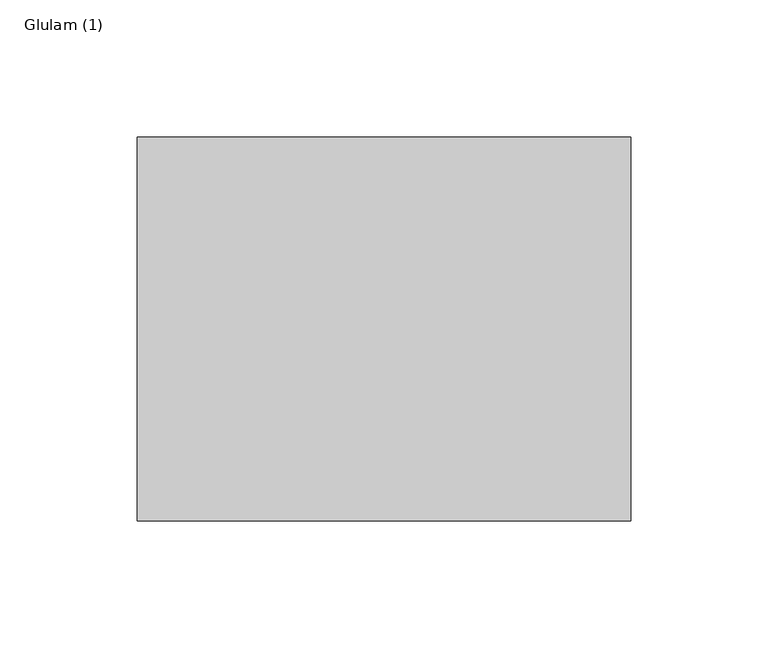
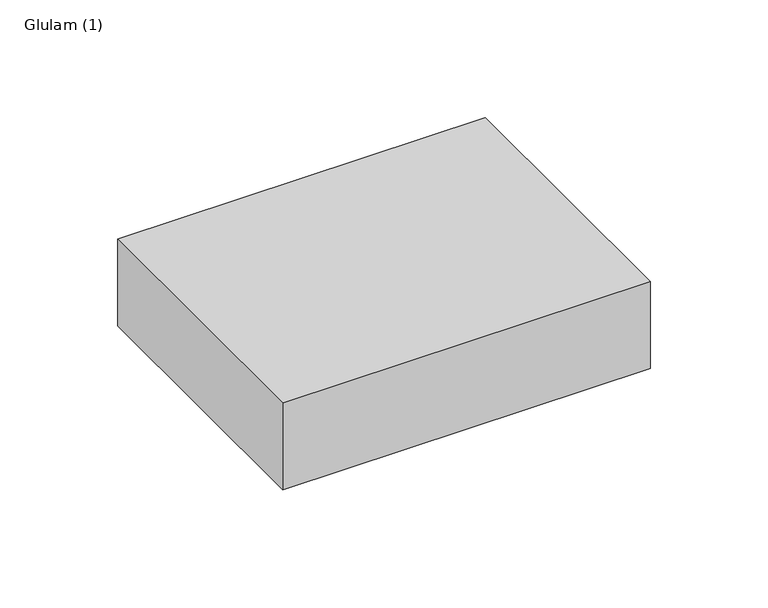
"""IFC4 building model written with IfcOpenShell, lengths in millimetres: beam geometry, Glulam (1)."""

from ifc_helpers import new_model, si_unit, frame, origin, place, context, project, spatial, polyline, outline, extrude, source, transform, mapped, element, save


def glulam_1_93c335c2(model_context):
    return source(origin(), model_context, "Body", "SweptSolid", [
        extrude(outline(polyline([(90.0, 70.0), (90.0, -70.0), (-90.0, -70.0), (-90.0, 70.0), (90.0, 70.0)])), frame((0.0, 0.0, -22.5), z_axis=(0.0, 0.0, 1.0), x_axis=(1.0, 0.0, 0.0)), (0.0, 0.0, 1.0), 45.0),
    ])


if __name__ == "__main__":
    model = new_model("IFC4")
    model_context = context("Model", 3, world=origin())
    ifc_project = project(units=[si_unit("LENGTHUNIT", "METRE", prefix="MILLI")], contexts=[model_context])
    site = spatial("IfcSite", under=ifc_project)
    building = spatial("IfcBuilding", under=site)
    placement = place(None, origin())
    glulam_1_shape = glulam_1_93c335c2(model_context)
    element("IfcBeam", 1, ObjectType="Glulam (1)", at=placement, inside=building, context=model_context, shape_type="MappedRepresentation", body=[
        mapped(glulam_1_shape, transform((0.0, 0.0, 0.0), x_axis=(1.0, 0.0, 0.0), y_axis=(0.0, 1.0, 0.0), z_axis=(0.0, 0.0, 1.0))),
    ])
    save(model, "model.ifc")
